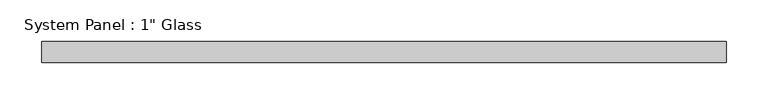
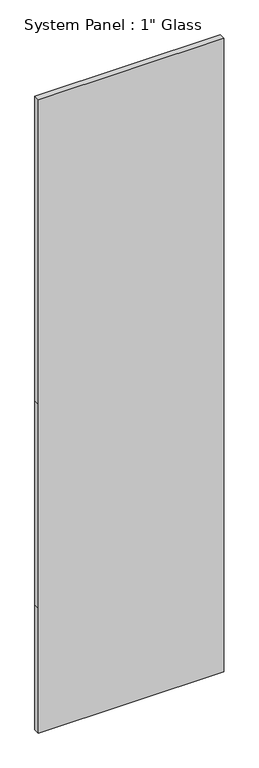
"""IFC4 building model written with IfcOpenShell, lengths in millimetres: plate geometry."""

from ifc_helpers import new_model, si_unit, frame, origin, place, context, project, spatial, polyline, outline, extrude, source, transform, mapped, element, save


def plate_8e2a7bd4(model_context):
    return source(origin(), model_context, "Body", "SweptSolid", [
        extrude(outline(polyline([(0.0, -410.0091185), (0.0, 410.0091185), (584.2, 410.0091185), (1536.7, 410.0091185), (2959.1, 410.0091185), (2959.1, -410.0091185), (1536.7, -410.0091185), (584.2, -410.0091185), (0.0, -410.0091185)])), frame((0.0, -12.7, 0.0), z_axis=(0.0, 1.0, 0.0), x_axis=(0.0, 0.0, 1.0)), (0.0, 0.0, 1.0), 25.4),
    ])


if __name__ == "__main__":
    model = new_model("IFC4")
    model_context = context("Model", 3, world=origin())
    ifc_project = project(units=[si_unit("LENGTHUNIT", "METRE", prefix="MILLI")], contexts=[model_context])
    site = spatial("IfcSite", under=ifc_project)
    building = spatial("IfcBuilding", under=site)
    placement = place(None, origin())
    plate_shape = plate_8e2a7bd4(model_context)
    element("IfcPlate", 1, ObjectType="System Panel : 1\" Glass", at=placement, inside=building, context=model_context, shape_type="MappedRepresentation", body=[
        mapped(plate_shape, transform((0.0, 0.0, 0.0), x_axis=(1.0, 0.0, 0.0), y_axis=(0.0, 1.0, 0.0), z_axis=(0.0, 0.0, 1.0))),
    ])
    save(model, "model.ifc")
